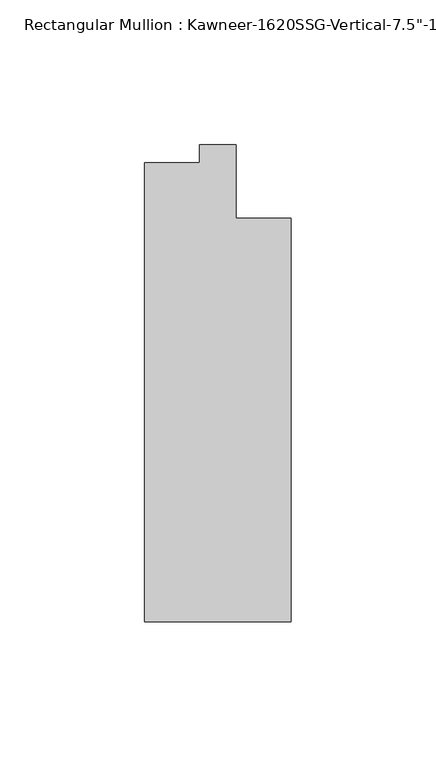
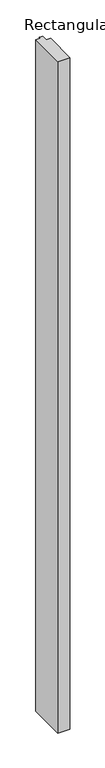
"""IFC4 building model written with IfcOpenShell, lengths in millimetres: member geometry."""

from ifc_helpers import new_model, si_unit, frame, origin, place, context, project, spatial, polyline, outline, extrude, source, transform, mapped, element, save


def member_095c8ff8(model_context):
    return source(origin(), model_context, "Body", "SweptSolid", [
        extrude(outline(polyline([(25.4, -161.925), (-25.4, -161.925), (-25.4, -3.175), (-6.35, -3.175), (-6.35, 3.175), (6.35, 3.175), (6.35, -22.225), (25.4, -22.225), (25.4, -161.925)])), frame((0.0, 0.0, -2959.1), z_axis=(0.0, 0.0, 1.0), x_axis=(1.0, 0.0, 0.0)), (0.0, 0.0, 1.0), 2959.1),
    ])


if __name__ == "__main__":
    model = new_model("IFC4")
    model_context = context("Model", 3, world=origin())
    ifc_project = project(units=[si_unit("LENGTHUNIT", "METRE", prefix="MILLI")], contexts=[model_context])
    site = spatial("IfcSite", under=ifc_project)
    building = spatial("IfcBuilding", under=site)
    placement = place(None, origin())
    member_shape = member_095c8ff8(model_context)
    element("IfcMember", 1, ObjectType="Rectangular Mullion : Kawneer-1620SSG-Vertical-7.5\"-1/4\"_1\"Infill", at=placement, inside=building, context=model_context, shape_type="MappedRepresentation", body=[
        mapped(member_shape, transform((0.0, 0.0, 0.0), x_axis=(1.0, 0.0, 0.0), y_axis=(0.0, 1.0, 0.0), z_axis=(0.0, 0.0, 1.0))),
    ])
    save(model, "model.ifc")
